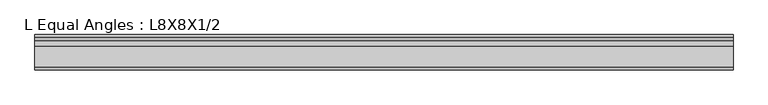
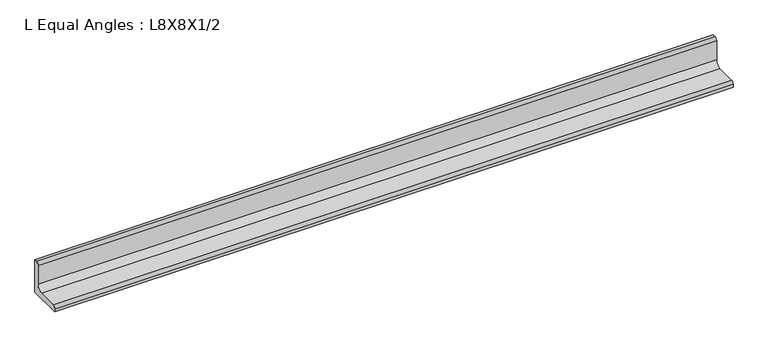
"""IFC4 building model written with IfcOpenShell, lengths in millimetres: beam geometry, L Equal Angles : L8X8X1/2."""

from ifc_helpers import new_model, si_unit, point, frame, frame_2d, origin, place, context, project, spatial, polyline, circle_curve, trimmed, segment, composite_curve, outline, extrude, source, transform, mapped, element, save


def l_equal_angles_l8x8x1_2_61ea4b1c(model_context):
    return source(origin(), model_context, "Body", "SweptSolid", [
        extrude(outline(composite_curve([segment(polyline([(55.118, -55.118), (-21.082, -55.118), (-21.082, -48.768)]), True, "CONTINUOUS"), segment(trimmed(circle_curve(frame_2d((-14.732, -48.768)), 6.35), [point((-21.082, -48.768))], [point((-14.732, -42.418))], False, "CARTESIAN"), True, "CONTINUOUS"), segment(polyline([(-14.732, -42.418), (29.718, -42.418)]), True, "CONTINUOUS"), segment(trimmed(circle_curve(frame_2d((29.718, -29.718)), 12.7), [point((29.718, -42.418))], [point((42.418, -29.718))], True, "CARTESIAN"), True, "CONTINUOUS"), segment(polyline([(42.418, -29.718), (42.418, 14.732)]), True, "CONTINUOUS"), segment(trimmed(circle_curve(frame_2d((48.768, 14.732)), 6.35), [point((42.418, 14.732))], [point((48.768, 21.082))], False, "CARTESIAN"), True, "CONTINUOUS"), segment(polyline([(48.768, 21.082), (55.118, 21.082), (55.118, -55.118)]), True, "CONTINUOUS")], self_intersect=False)), frame((-769.3294344, 0.0, 0.0), z_axis=(1.0, 0.0, 0.0), x_axis=(0.0, 1.0, 0.0)), (0.0, 0.0, 1.0), 1505.078708),
    ])


if __name__ == "__main__":
    model = new_model("IFC4")
    model_context = context("Model", 3, world=origin())
    ifc_project = project(units=[si_unit("LENGTHUNIT", "METRE", prefix="MILLI")], contexts=[model_context])
    site = spatial("IfcSite", under=ifc_project)
    building = spatial("IfcBuilding", under=site)
    placement = place(None, origin())
    l_equal_angles_l8x8x1_2_shape = l_equal_angles_l8x8x1_2_61ea4b1c(model_context)
    element("IfcBeam", 1, ObjectType="L Equal Angles : L8X8X1/2", at=placement, inside=building, context=model_context, shape_type="MappedRepresentation", body=[
        mapped(l_equal_angles_l8x8x1_2_shape, transform((0.0, 0.0, 0.0), x_axis=(1.0, 0.0, 0.0), y_axis=(0.0, 1.0, 0.0), z_axis=(0.0, 0.0, 1.0))),
    ])
    save(model, "model.ifc")
